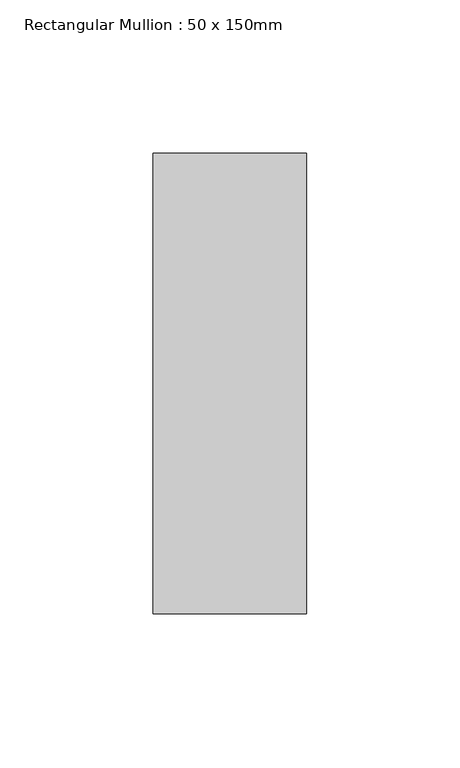
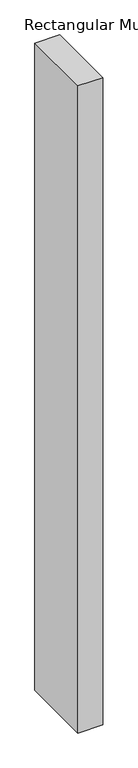
"""IFC4 building model written with IfcOpenShell, lengths in millimetres: member geometry, Rectangular Mullion : 50 x 150mm."""

from ifc_helpers import new_model, si_unit, frame, origin, place, context, project, spatial, polyline, outline, extrude, source, transform, mapped, element, save


def rectangular_mullion_50_x_150mm_4d3d3b5d(model_context):
    return source(origin(), model_context, "Body", "SweptSolid", [
        extrude(outline(polyline([(0.0, 75.0), (0.0, -75.0), (-50.0, -75.0), (-50.0, 75.0), (0.0, 75.0)])), frame((0.0, 0.0, -1378.3333333), z_axis=(0.0, 0.0, 1.0), x_axis=(1.0, 0.0, 0.0)), (0.0, 0.0, 1.0), 1378.3333333),
    ])


if __name__ == "__main__":
    model = new_model("IFC4")
    model_context = context("Model", 3, world=origin())
    ifc_project = project(units=[si_unit("LENGTHUNIT", "METRE", prefix="MILLI")], contexts=[model_context])
    site = spatial("IfcSite", under=ifc_project)
    building = spatial("IfcBuilding", under=site)
    placement = place(None, origin())
    rectangular_mullion_50_x_150mm_shape = rectangular_mullion_50_x_150mm_4d3d3b5d(model_context)
    element("IfcMember", 1, ObjectType="Rectangular Mullion : 50 x 150mm", at=placement, inside=building, context=model_context, shape_type="MappedRepresentation", body=[
        mapped(rectangular_mullion_50_x_150mm_shape, transform((0.0, 0.0, 0.0), x_axis=(1.0, 0.0, 0.0), y_axis=(0.0, 1.0, 0.0), z_axis=(0.0, 0.0, 1.0))),
    ])
    save(model, "model.ifc")
